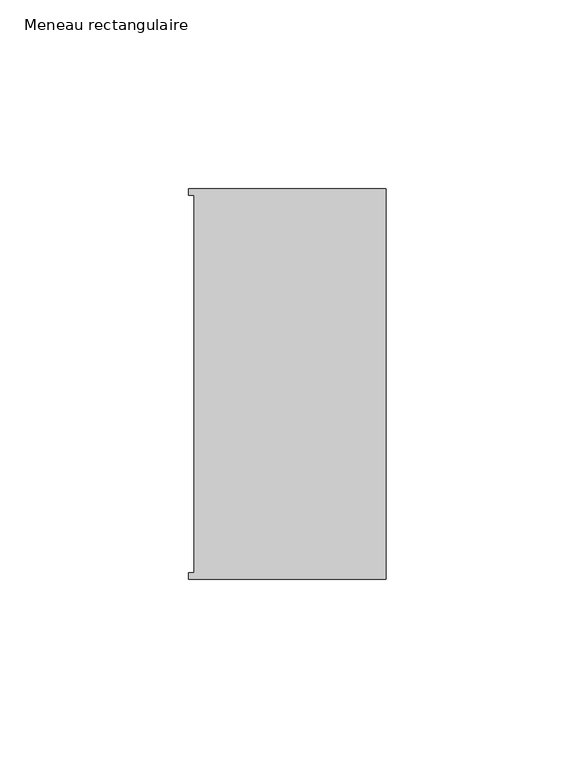
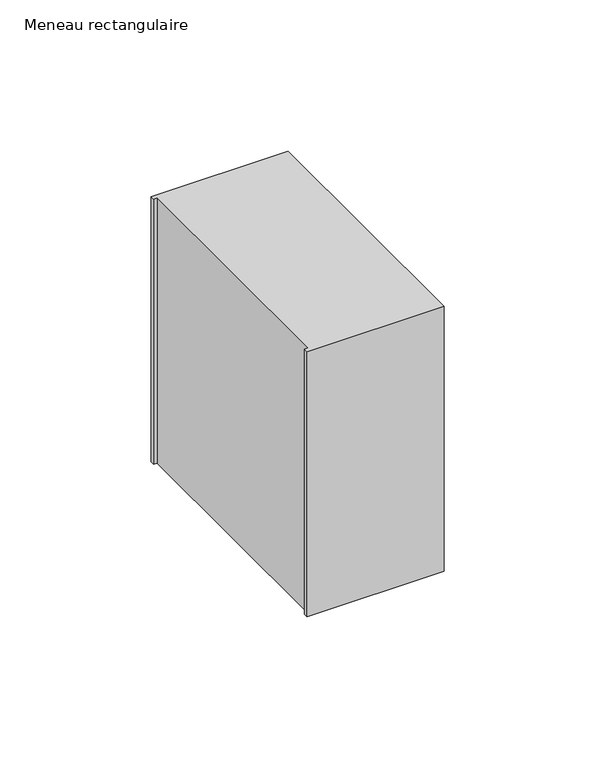
"""IFC4 building model written with IfcOpenShell, lengths in millimetres: member geometry, Meneau rectangulaire."""

import ifcopenshell
import ifcopenshell.guid

model = None  # the IFC model being written
_history = None  # IfcOwnerHistory: only IFC2X3 demands one
_inside = {}  # id of a spatial element -> (the spatial element, [elements in it])
_under = {}  # id of a project, library or spatial element -> (it, [spatial elements below it])
_declared = {}  # id of a project -> (the project, [libraries it declares])
_typed = {}  # id of a type object -> (the type object, [elements of that type])
_made_of = {}  # id of a material, layer set ... -> (it, [elements and type objects made of it])


def new_model(schema):
    """Start an empty IFC model of exactly this schema.

    Asked for "IFC4X3", IfcOpenShell would pick the latest addendum, in which some entities
    have other attributes; the version numbers below select the first issue.
    IFC2X3 requires an IfcOwnerHistory on every rooted entity: one is made here for all.
    """
    global model, _history
    if schema == "IFC4X3":
        model = ifcopenshell.file(schema_version=(4, 3, 0, 0))
    else:
        model = ifcopenshell.file(schema=schema)
    _inside.clear()
    _under.clear()
    _declared.clear()
    _typed.clear()
    _made_of.clear()
    _history = None
    if model.schema == "IFC2X3":
        org = make("IfcOrganization", Name="unknown")
        user = make(
            "IfcPersonAndOrganization",
            ThePerson=make("IfcPerson", FamilyName="unknown"),
            TheOrganization=org,
        )
        app = make(
            "IfcApplication",
            ApplicationDeveloper=org,
            Version="unknown",
            ApplicationFullName="unknown",
            ApplicationIdentifier="unknown",
        )
        _history = make(
            "IfcOwnerHistory",
            OwningUser=user,
            OwningApplication=app,
            ChangeAction="ADDED",
            CreationDate=0,
        )
    return model


def make(cls, **values):
    """One entity of the class cls with the attributes given. An attribute that is None is left unset."""
    return model.create_entity(
        cls, **{name: value for name, value in values.items() if value is not None}
    )


def rooted(cls, **values):
    """An entity with a GlobalId (a new one), such as an element, a storey or a relation."""
    return make(cls, GlobalId=ifcopenshell.guid.new(), OwnerHistory=_history, **values)


def si_unit(unit_type, name, prefix=None):
    """IfcSIUnit, for example si_unit("LENGTHUNIT", "METRE", prefix="MILLI")."""
    return make("IfcSIUnit", UnitType=unit_type, Prefix=prefix, Name=name)


def assignment(units):
    """IfcUnitAssignment: the units of a project."""
    return None if units is None else make("IfcUnitAssignment", Units=units)


def point(xyz):
    """IfcCartesianPoint."""
    return None if xyz is None else make("IfcCartesianPoint", Coordinates=xyz)


def direction(xyz):
    """IfcDirection."""
    return None if xyz is None else make("IfcDirection", DirectionRatios=xyz)


def frame(location, z_axis=None, x_axis=None):
    """IfcAxis2Placement3D, a coordinate frame: its origin and axes. An axis left out is left unset."""
    return make(
        "IfcAxis2Placement3D",
        Location=point(location),
        Axis=direction(z_axis),
        RefDirection=direction(x_axis),
    )


def origin():
    """The frame at (0, 0, 0) with its axes left unset."""
    return frame((0.0, 0.0, 0.0))


def place(relative_to, where):
    """IfcLocalPlacement: puts the frame where relative to a parent placement (None: the world)."""
    return make(
        "IfcLocalPlacement", PlacementRelTo=relative_to, RelativePlacement=where
    )


def context(
    kind, dimensions, precision=None, world=None, true_north=None, identifier=None
):
    """IfcGeometricRepresentationContext, for example the 3D "Model" context."""
    return make(
        "IfcGeometricRepresentationContext",
        ContextIdentifier=identifier,
        ContextType=kind,
        CoordinateSpaceDimension=dimensions,
        Precision=precision,
        WorldCoordinateSystem=world,
        TrueNorth=true_north,
    )


def project(units=None, contexts=None):
    """IfcProject with its units and contexts."""
    return rooted(
        "IfcProject",
        Name="project",
        RepresentationContexts=contexts,
        UnitsInContext=assignment(units),
    )


def spatial(cls, under=None, at=None, **own):
    """A site, building, storey or space (cls), placed at a placement, below another one or the project."""
    s = rooted(cls, ObjectPlacement=at, **own)
    if under is not None:
        _under.setdefault(under.id(), (under, []))[1].append(s)
    return s


def polyline(points):
    """IfcPolyline through the points."""
    return make("IfcPolyline", Points=[point(p) for p in points])


def outline(outer, holes=None, kind="AREA"):
    """IfcArbitraryClosedProfileDef: a profile drawn as a closed curve; with holes, ...WithVoids."""
    if holes is None:
        return make("IfcArbitraryClosedProfileDef", ProfileType=kind, OuterCurve=outer)
    return make(
        "IfcArbitraryProfileDefWithVoids",
        ProfileType=kind,
        OuterCurve=outer,
        InnerCurves=holes,
    )


def extrude(swept, where, along, depth):
    """IfcExtrudedAreaSolid: the profile swept, set in the frame where, extruded along a direction by depth."""
    return make(
        "IfcExtrudedAreaSolid",
        SweptArea=swept,
        Position=where,
        ExtrudedDirection=direction(along),
        Depth=depth,
    )


def shape(context_of_items, identifier, shape_type, items):
    """IfcShapeRepresentation: the items that make up one representation, for example the "Body"."""
    return make(
        "IfcShapeRepresentation",
        ContextOfItems=context_of_items,
        RepresentationIdentifier=identifier,
        RepresentationType=shape_type,
        Items=items,
    )


def source(mapping_origin, context_of_items, identifier, shape_type, items):
    """IfcRepresentationMap: a shape defined once, which mapped items show again and again."""
    return make(
        "IfcRepresentationMap",
        MappingOrigin=mapping_origin,
        MappedRepresentation=shape(context_of_items, identifier, shape_type, items),
    )


def transform(
    local_origin,
    x_axis=None,
    y_axis=None,
    z_axis=None,
    scale=None,
    scale2=None,
    scale3=None,
    uniform=True,
):
    """IfcCartesianTransformationOperator3D, or its non-uniform kind. x_axis, y_axis, z_axis: its Axis1, 2, 3."""
    if uniform:
        return make(
            "IfcCartesianTransformationOperator3D",
            Axis1=direction(x_axis),
            Axis2=direction(y_axis),
            LocalOrigin=point(local_origin),
            Scale=scale,
            Axis3=direction(z_axis),
        )
    return make(
        "IfcCartesianTransformationOperator3DnonUniform",
        Axis1=direction(x_axis),
        Axis2=direction(y_axis),
        LocalOrigin=point(local_origin),
        Scale=scale,
        Axis3=direction(z_axis),
        Scale2=scale2,
        Scale3=scale3,
    )


def mapped(mapping_source, mapping_target):
    """IfcMappedItem: shows the shape of a source again, moved by a transform."""
    return make(
        "IfcMappedItem", MappingSource=mapping_source, MappingTarget=mapping_target
    )


def made_of(thing, what):
    """Note that an element or type object is made of a material, layer set ...; save() writes the relation."""
    if what is not None:
        _made_of.setdefault(what.id(), (what, []))[1].append(thing)
    return thing


def element(
    cls,
    number,
    at=None,
    inside=None,
    cuts=None,
    type_object=None,
    material=None,
    context=None,
    identifier="Body",
    shape_type=None,
    held_by="IfcProductDefinitionShape",
    body=None,
    shapes=None,
    **own,
):
    """One element of the class cls, such as IfcWall. Its Tag is "e" and its number.

    at: its placement. inside: the storey or other place that contains it. cuts: it is an
    opening in that element (IfcRelVoidsElement). A single representation is given by context,
    identifier, shape_type and body (its items); several are given by shapes. held_by: the class
    of the entity that holds the representations. save() writes the other relations.
    """
    e = rooted(cls, Tag="e%d" % number, ObjectPlacement=at, **own)
    if body is not None:
        shapes = [shape(context, identifier, shape_type, body)]
    if shapes is not None:
        e.Representation = make(held_by, Representations=shapes)
    if inside is not None:
        _inside.setdefault(inside.id(), (inside, []))[1].append(e)
    if cuts is not None:
        rooted(
            "IfcRelVoidsElement", RelatingBuildingElement=cuts, RelatedOpeningElement=e
        )
    if type_object is not None:
        _typed.setdefault(type_object.id(), (type_object, []))[1].append(e)
    return made_of(e, material)


def aggregate(whole, parts):
    """IfcRelAggregates: a whole, such as a stair, and the parts it consists of."""
    return rooted("IfcRelAggregates", RelatingObject=whole, RelatedObjects=parts)


def save(model, path):
    """Write the relations noted so far, then the file.

    IfcRelAggregates (storeys below a building ...), IfcRelContainedInSpatialStructure (elements
    in a storey), IfcRelDefinesByType, IfcRelAssociatesMaterial and IfcRelDeclares: one each for
    every whole, place, type object, material and project.
    """
    for whole, parts in _under.values():
        aggregate(whole, parts)
    for where, things in _inside.values():
        rooted(
            "IfcRelContainedInSpatialStructure",
            RelatedElements=things,
            RelatingStructure=where,
        )
    for kind, things in _typed.values():
        rooted("IfcRelDefinesByType", RelatedObjects=things, RelatingType=kind)
    for what, things in _made_of.values():
        rooted("IfcRelAssociatesMaterial", RelatedObjects=things, RelatingMaterial=what)
    for by, libraries in _declared.values():
        rooted("IfcRelDeclares", RelatingContext=by, RelatedDefinitions=libraries)
    model.write(path)


def meneau_rectangulaire_fddfefb3(model_context):
    return source(origin(), model_context, "Body", "SweptSolid", [
        extrude(outline(polyline([(-52.3, 51.6531441), (0.0, 51.6531441), (0.0, -51.6130012), (-52.3, -51.6130012), (-52.3, -49.9174099), (-50.9, -49.9174099), (-50.9, 49.9174073), (-52.3, 49.9174073), (-52.3, 51.6531441)])), frame((0.0, 0.0, -107.0727689), z_axis=(0.0, 0.0, 1.0), x_axis=(1.0, 0.0, 0.0)), (0.0, 0.0, 1.0), 107.0727689),
    ])


if __name__ == "__main__":
    model = new_model("IFC4")
    model_context = context("Model", 3, world=origin())
    ifc_project = project(units=[si_unit("LENGTHUNIT", "METRE", prefix="MILLI")], contexts=[model_context])
    site = spatial("IfcSite", under=ifc_project)
    building = spatial("IfcBuilding", under=site)
    placement = place(None, origin())
    meneau_rectangulaire_shape = meneau_rectangulaire_fddfefb3(model_context)
    element("IfcMember", 1, ObjectType="Meneau rectangulaire", at=placement, inside=building, context=model_context, shape_type="MappedRepresentation", body=[
        mapped(meneau_rectangulaire_shape, transform((0.0, 0.0, 0.0), x_axis=(1.0, 0.0, 0.0), y_axis=(0.0, 1.0, 0.0), z_axis=(0.0, 0.0, 1.0))),
    ])
    save(model, "model.ifc")
